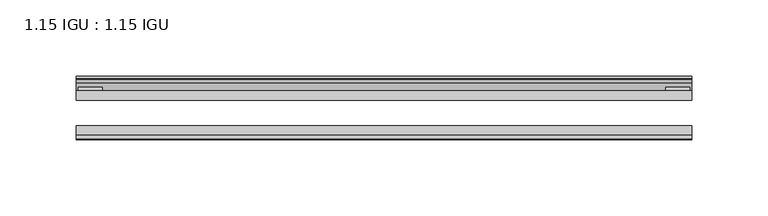
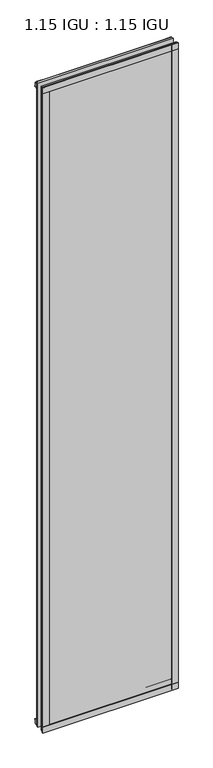
"""IFC4 building model written with IfcOpenShell, lengths in millimetres: plate geometry, 1.15 IGU : 1.15 IGU."""

from ifc_helpers import new_model, si_unit, point, frame, frame_2d, origin, place, context, project, spatial, polyline, circle_curve, trimmed, segment, composite_curve, outline, extrude, source, transform, mapped, element, save


def plate_1_15_igu_1_15_igu_4923dc1e(model_context):
    return source(origin(), model_context, "Body", "SweptSolid", [
        extrude(outline(polyline([(201.856492, 0.0), (201.856492, -6.2992), (-201.856492, -6.2992), (-201.856492, 0.0), (201.856492, 0.0)])), frame((0.0, 0.0, -15.875), z_axis=(0.0, 0.0, 1.0), x_axis=(1.0, 0.0, 0.0)), (0.0, 0.0, 1.0), 2033.5830337),
        extrude(outline(polyline([(-201.856492, -23.1648), (201.856492, -23.1648), (201.856492, -29.464), (-201.856492, -29.464), (-201.856492, -23.1648)])), frame((0.0, 0.0, -15.875), z_axis=(0.0, 0.0, 1.0), x_axis=(1.0, 0.0, 0.0)), (0.0, 0.0, 1.0), 2033.5830337),
        extrude(outline(polyline([(-201.856492, -31.75), (-201.856492, -29.464), (201.856492, -29.464), (201.856492, -31.75), (-201.856492, -31.75)])), frame((0.0, 0.0, -19.05), z_axis=(0.0, 0.0, 1.0), x_axis=(1.0, 0.0, 0.0)), (0.0, 0.0, 1.0), 19.05),
        extrude(outline(composite_curve([segment(trimmed(circle_curve(frame_2d((13.6593785, 32.4202472)), 31.3046461), [point((0.0, 4.2528503))], [point((9.3980339, 1.406995))], True, "CARTESIAN"), True, "CONTINUOUS"), segment(polyline([(9.3980339, 1.406995), (9.3980339, 0.0254), (6.35, 0.0254), (6.35, -5.1625788), (7.7309478, -5.3970663), (6.35, -8.0073788), (6.35, -11.8471127)]), True, "CONTINUOUS"), segment(trimmed(circle_curve(frame_2d((5.334, -11.8471127)), 1.016), [point((6.35, -11.8471127))], [point((4.6284878, -12.5782136))], False, "CARTESIAN"), True, "CONTINUOUS"), segment(trimmed(circle_curve(frame_2d((-23.3689302, -41.5910901)), 40.3187601), [point((4.6284878, -12.5782136))], [point((0.0, -8.735413))], True, "CARTESIAN"), True, "CONTINUOUS"), segment(polyline([(0.0, -8.735413), (0.0, 4.2528503)]), True, "CONTINUOUS")], self_intersect=False)), frame((-201.856492, 0.0, 0.0), z_axis=(1.0, 0.0, 0.0), x_axis=(0.0, 1.0, 0.0)), (0.0, 0.0, 1.0), 403.712984),
        extrude(outline(composite_curve([segment(trimmed(circle_curve(frame_2d((-23.3689302, 2041.8747237)), 40.3187601), [point((0.0, 2009.0190467))], [point((4.9746073, 2013.1998864))], True, "CARTESIAN"), True, "CONTINUOUS"), segment(trimmed(circle_curve(frame_2d((5.8674, 2012.2966582)), 1.27), [point((4.9746073, 2013.1998864))], [point((7.1374, 2012.2966582))], False, "CARTESIAN"), True, "CONTINUOUS"), segment(polyline([(7.1374, 2012.2966582), (7.1374, 2007.8958505), (7.7309478, 2005.6806999), (6.35, 2005.4462125), (6.35, 2000.2582337), (9.3980339, 2000.2582337), (9.3980339, 1998.8766387)]), True, "CONTINUOUS"), segment(trimmed(circle_curve(frame_2d((13.6593785, 1967.8633864)), 31.3046461), [point((9.3980339, 1998.8766387))], [point((0.0, 1996.0307834))], True, "CARTESIAN"), True, "CONTINUOUS"), segment(polyline([(0.0, 1996.0307834), (0.0, 2009.0190467)]), True, "CONTINUOUS")], self_intersect=False)), frame((-201.856492, 0.0, 0.0), z_axis=(1.0, 0.0, 0.0), x_axis=(0.0, 1.0, 0.0)), (0.0, 0.0, 1.0), 403.712984),
        extrude(outline(polyline([(-201.856492, -31.75), (-201.856492, -29.464), (201.856492, -29.464), (201.856492, -31.75), (-201.856492, -31.75)])), frame((0.0, 0.0, 2000.2582337), z_axis=(0.0, 0.0, 1.0), x_axis=(1.0, 0.0, 0.0)), (0.0, 0.0, 1.0), 19.05),
        extrude(outline(polyline([(182.806492, -29.464), (201.856492, -29.464), (201.856492, -31.75), (182.806492, -31.75), (182.806492, -29.464)])), frame((0.0, 0.0, -15.875), z_axis=(0.0, 0.0, 1.0), x_axis=(1.0, 0.0, 0.0)), (0.0, 0.0, 1.0), 2033.5830337),
        extrude(outline(polyline([(200.649992, 2.2860088), (200.649992, 0.0021347), (184.774992, 0.0021347), (184.774992, 2.2860088), (200.649992, 2.2860088)])), frame((0.0, 0.0, -15.875), z_axis=(0.0, 0.0, 1.0), x_axis=(1.0, 0.0, 0.0)), (0.0, 0.0, 1.0), 2033.5830337),
        extrude(outline(polyline([(-201.856492, -31.75), (-201.856492, -29.464), (-182.806492, -29.464), (-182.806492, -31.75), (-201.856492, -31.75)])), frame((0.0, 0.0, -15.875), z_axis=(0.0, 0.0, 1.0), x_axis=(1.0, 0.0, 0.0)), (0.0, 0.0, 1.0), 2033.5830337),
        extrude(outline(polyline([(-200.649992, 0.0), (-200.649992, 2.286), (-184.774992, 2.286), (-184.774992, 0.0), (-200.649992, 0.0)])), frame((0.0, 0.0, -15.875), z_axis=(0.0, 0.0, 1.0), x_axis=(1.0, 0.0, 0.0)), (0.0, 0.0, 1.0), 2033.5830337),
    ])


if __name__ == "__main__":
    model = new_model("IFC4")
    model_context = context("Model", 3, world=origin())
    ifc_project = project(units=[si_unit("LENGTHUNIT", "METRE", prefix="MILLI")], contexts=[model_context])
    site = spatial("IfcSite", under=ifc_project)
    building = spatial("IfcBuilding", under=site)
    placement = place(None, origin())
    plate_1_15_igu_1_15_igu_shape = plate_1_15_igu_1_15_igu_4923dc1e(model_context)
    element("IfcPlate", 1, ObjectType="1.15 IGU : 1.15 IGU", at=placement, inside=building, context=model_context, shape_type="MappedRepresentation", body=[
        mapped(plate_1_15_igu_1_15_igu_shape, transform((0.0, 0.0, 0.0), x_axis=(1.0, 0.0, 0.0), y_axis=(0.0, 1.0, 0.0), z_axis=(0.0, 0.0, 1.0))),
    ])
    save(model, "model.ifc")
